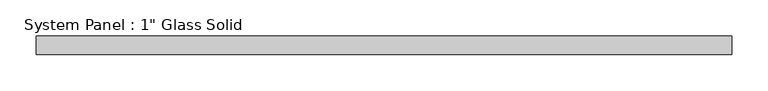
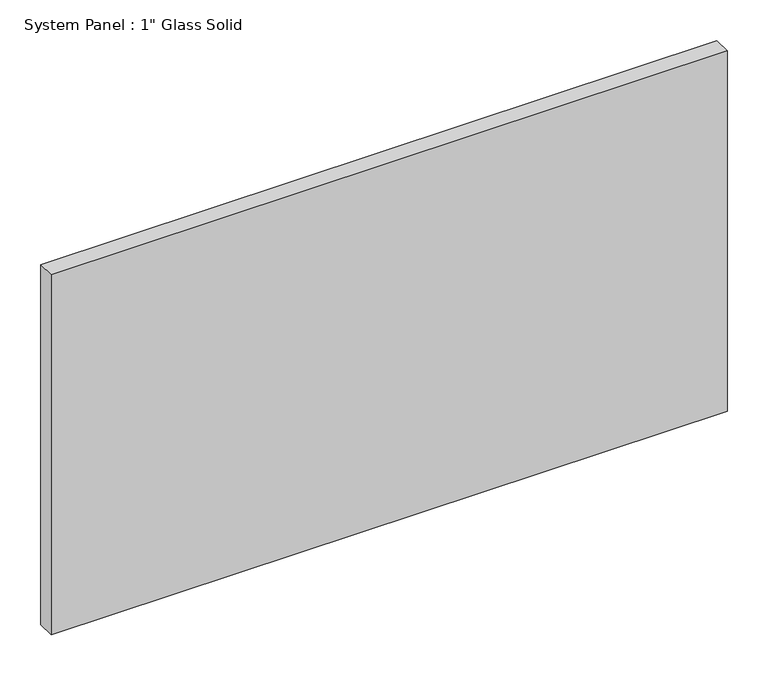
"""IFC4 building model written with IfcOpenShell, lengths in millimetres: plate geometry."""

from ifc_helpers import new_model, si_unit, origin, origin_with_axes, place, context, project, spatial, polyline, outline, extrude, source, transform, mapped, element, save


def plate_e0b7ac10(model_context):
    return source(origin(), model_context, "Body", "SweptSolid", [
        extrude(outline(polyline([(479.4258852, -12.7), (-479.4258852, -12.7), (-479.4258852, 12.7), (479.4258852, 12.7), (479.4258852, -12.7)])), origin_with_axes(), (0.0, 0.0, 1.0), 539.7535408),
    ])


if __name__ == "__main__":
    model = new_model("IFC4")
    model_context = context("Model", 3, world=origin())
    ifc_project = project(units=[si_unit("LENGTHUNIT", "METRE", prefix="MILLI")], contexts=[model_context])
    site = spatial("IfcSite", under=ifc_project)
    building = spatial("IfcBuilding", under=site)
    placement = place(None, origin())
    plate_shape = plate_e0b7ac10(model_context)
    element("IfcPlate", 1, ObjectType="System Panel : 1\" Glass Solid", at=placement, inside=building, context=model_context, shape_type="MappedRepresentation", body=[
        mapped(plate_shape, transform((0.0, 0.0, 0.0), x_axis=(1.0, 0.0, 0.0), y_axis=(0.0, 1.0, 0.0), z_axis=(0.0, 0.0, 1.0))),
    ])
    save(model, "model.ifc")
